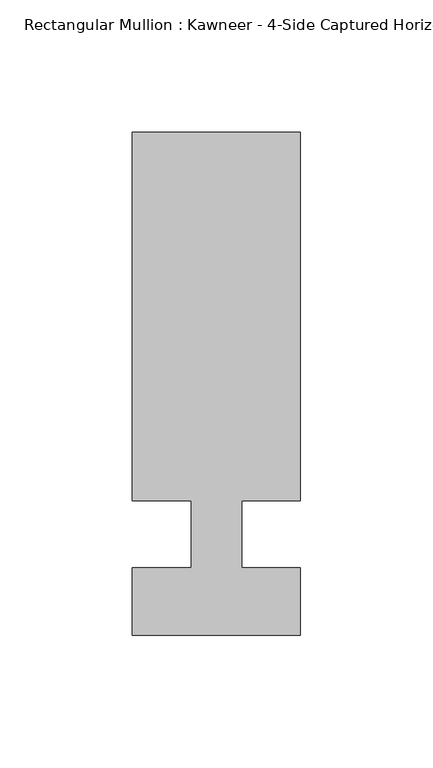
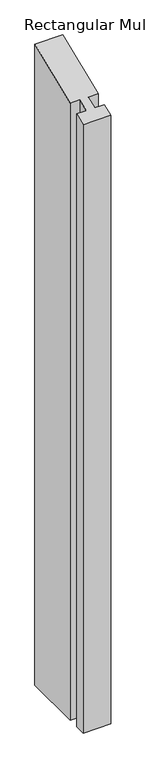
"""IFC4 building model written with IfcOpenShell, lengths in millimetres: member geometry."""

from ifc_helpers import new_model, si_unit, origin, place, context, project, spatial, faceted_brep, source, transform, mapped, element, save


def member_d880b8ad(model_context):
    return source(origin(), model_context, "Body", "Brep", [
        faceted_brep([(-9.525, -12.7, -1481.5830237), (-9.525, 12.7, -1481.5830237), (-31.75, 12.7, -1481.5830237), (-31.75, 151.892, -1481.5830237), (31.75, 151.892, -1481.5830237), (31.75, 12.7, -1481.5830237), (9.5251132, 12.7, -1481.5830237), (9.5251132, -12.7, -1481.5830237), (31.75, -12.7, -1481.5830237), (31.75, -38.1, -1481.5830237), (-31.75, -38.1, -1481.5830237), (-31.75, -12.7, -1481.5830237), (-31.75, -12.7, -5.2605122), (-9.525, -12.7, -5.2605122), (-31.75, -38.1, -15.7815367), (31.75, -38.1, -15.7815367), (31.75, -12.7, -5.2605122), (9.5251132, -12.7, -5.2605122), (9.5251132, 12.7, 5.2605122), (31.75, 12.7, 5.2605122), (31.75, 151.892, 62.9157264), (-31.75, 151.892, 62.9157264), (-31.75, 12.7, 5.2605122), (-9.525, 12.7, 5.2605122)], [[[0, 1, 2, 3, 4, 5, 6, 7, 8, 9, 10, 11]], [[12, 13, 0, 11]], [[14, 12, 11, 10]], [[15, 14, 10, 9]], [[16, 15, 9, 8]], [[17, 16, 8, 7]], [[18, 17, 7, 6]], [[19, 18, 6, 5]], [[20, 19, 5, 4]], [[21, 20, 4, 3]], [[22, 21, 3, 2]], [[23, 22, 2, 1]], [[13, 23, 1, 0]], [[13, 12, 14, 15, 16, 17, 18, 19, 20, 21, 22, 23]]]),
    ])


if __name__ == "__main__":
    model = new_model("IFC4")
    model_context = context("Model", 3, world=origin())
    ifc_project = project(units=[si_unit("LENGTHUNIT", "METRE", prefix="MILLI")], contexts=[model_context])
    site = spatial("IfcSite", under=ifc_project)
    building = spatial("IfcBuilding", under=site)
    placement = place(None, origin())
    member_shape = member_d880b8ad(model_context)
    element("IfcMember", 1, ObjectType="Rectangular Mullion : Kawneer - 4-Side Captured Horizontal Mullion - 7 1/2\"", at=placement, inside=building, context=model_context, shape_type="MappedRepresentation", body=[
        mapped(member_shape, transform((0.0, 0.0, 0.0), x_axis=(1.0, 0.0, 0.0), y_axis=(0.0, 1.0, 0.0), z_axis=(0.0, 0.0, 1.0))),
    ])
    save(model, "model.ifc")
